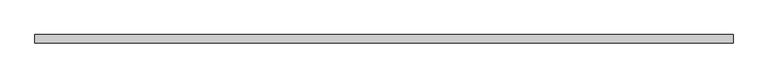
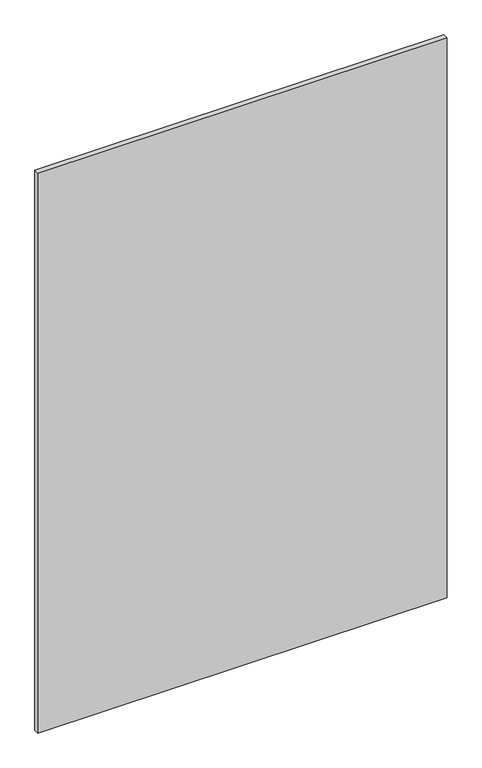
"""IFC4 building model written with IfcOpenShell, lengths in millimetres: plate geometry."""

from ifc_helpers import new_model, si_unit, frame, origin, place, context, project, spatial, polyline, outline, extrude, source, transform, mapped, element, save


def plate_7230e11f(model_context):
    return source(origin(), model_context, "Body", "SweptSolid", [
        extrude(outline(polyline([(600.0750002, -98.425), (600.0750002, -112.7125), (-596.9000002, -112.7125), (-596.9000002, -98.425), (600.0750002, -98.425)])), frame((0.0, 0.0, 98.425), z_axis=(0.0, 0.0, 1.0), x_axis=(1.0, 0.0, 0.0)), (0.0, 0.0, 1.0), 1730.375),
    ])


if __name__ == "__main__":
    model = new_model("IFC4")
    model_context = context("Model", 3, world=origin())
    ifc_project = project(units=[si_unit("LENGTHUNIT", "METRE", prefix="MILLI")], contexts=[model_context])
    site = spatial("IfcSite", under=ifc_project)
    building = spatial("IfcBuilding", under=site)
    placement = place(None, origin())
    plate_shape = plate_7230e11f(model_context)
    element("IfcPlate", 1, at=placement, inside=building, context=model_context, shape_type="MappedRepresentation", body=[
        mapped(plate_shape, transform((0.0, 0.0, 0.0), x_axis=(1.0, 0.0, 0.0), y_axis=(0.0, 1.0, 0.0), z_axis=(0.0, 0.0, 1.0))),
    ])
    save(model, "model.ifc")
